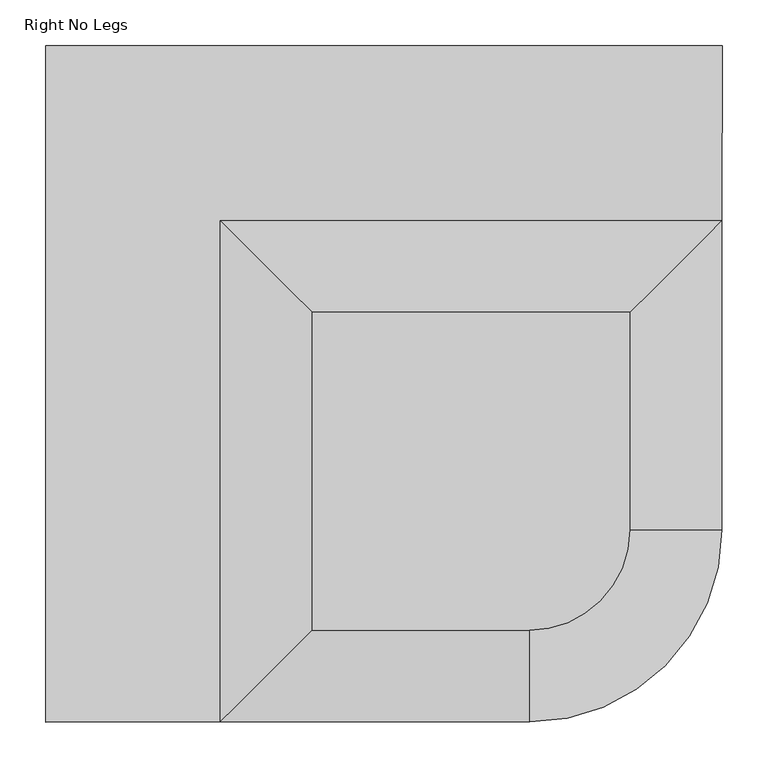
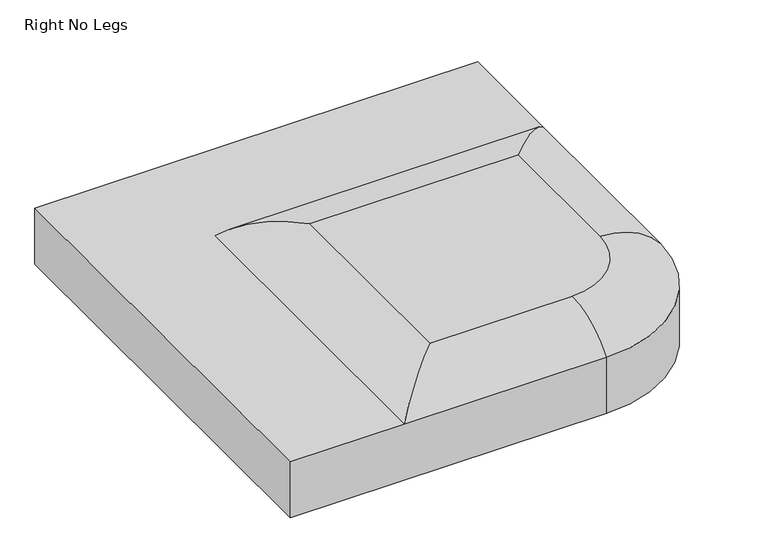
"""IFC4 building model written with IfcOpenShell, lengths in millimetres: furniture geometry, Right No Legs."""

from ifc_helpers import new_model, si_unit, point, frame, origin, place, context, project, spatial, polyline, circle_curve, ellipse_curve, trimmed, outline, extrude, source, transform, mapped, element, save
from ifc_brep_helpers import plane_surface, cylinder_surface, revolved_surface, advanced_brep


def right_no_legs_fca4a706(model_context):
    return source(origin(), model_context, "Body", "SolidModel", [
        advanced_brep(
        [(526.8740745, -736.3401743, 282.440064), (736.3206968, -526.901289, 282.440064), (736.3206968, -526.901289, 335.7265923), (736.3206968, -526.901289, 381.0), (526.8740745, -736.3401743, 381.0), (526.8740745, -736.3401743, 335.7265923), (721.8792832, -526.8936331, 282.440064), (526.8669522, -721.8987605, 282.440064), (526.8669522, -721.8987605, 335.7265923), (721.8792832, -526.8936331, 335.7265923), (736.6000242, 0.0, 282.440064), (736.6000242, 0.0, 335.7265923), (736.6000242, 0.0, 381.0), (736.4992956, -190.0064436, 381.0), (722.1509508, -14.4414156, 282.440064), (722.1509508, -14.4414156, 335.7265923), (0.0, 0.0, 282.440064), (0.0, 0.0, 335.7265923), (0.0, 0.0, 381.0), (14.4414156, -14.4414156, 282.440064), (14.4414156, -14.4414156, 335.7265923), (0.0, -736.6000242, 282.440064), (0.0, -736.6000242, 335.7265923), (0.0, -736.6000242, 381.0), (14.4414156, -722.1514845, 282.440064), (14.4414156, -722.1514845, 335.7265923), (189.5444624, -736.5065425, 381.0), (189.5444624, -190.0064436, 381.0), (289.3762689, -636.6254876, 427.8106965), (289.3762689, -289.8382502, 427.8106965), (636.614551, -289.8382502, 427.8106965), (636.4889043, -526.8483649, 427.8106965), (526.8248383, -636.5083799, 427.8106965)],
        [
            (0, 1, circle_curve(frame((526.7707262, -526.7901997, 282.440064), z_axis=(0.0, 0.0, 1.0), x_axis=(0.0004931917174324377, -0.9999998783809575, 0.0)), 209.55)),
            (1, 2),
            (2, 3),
            (3, 4, circle_curve(frame((526.7707262, -526.7901997, 381.0), z_axis=(0.0, 0.0, -1.0), x_axis=(0.0004931917174324377, -0.9999998783809575, 0.0)), 209.55)),
            (4, 5),
            (5, 0),
            (6, 7, circle_curve(frame((526.7707262, -526.7901997, 282.440064), z_axis=(0.0, 0.0, -1.0), x_axis=(0.0004931917174324377, -0.9999998783809575, 0.0)), 195.1085844)),
            (7, 8),
            (8, 9, circle_curve(frame((526.7707262, -526.7901997, 335.7265923), z_axis=(0.0, 0.0, 1.0), x_axis=(0.0004931917174324377, -0.9999998783809575, 0.0)), 195.1085844)),
            (9, 6),
            (1, 10),
            (10, 11),
            (11, 12),
            (12, 13),
            (13, 3),
            (14, 6),
            (9, 15),
            (15, 14),
            (10, 16),
            (16, 17),
            (17, 18),
            (18, 12),
            (19, 14),
            (15, 20),
            (20, 19),
            (16, 21),
            (21, 22),
            (22, 23),
            (23, 18),
            (24, 19),
            (20, 25),
            (25, 24),
            (21, 0),
            (4, 26),
            (26, 23),
            (26, 27),
            (27, 13),
            (7, 24),
            (25, 8),
            (26, 28, ellipse_curve(frame((289.3762689, -636.6254876, 297.9511579), z_axis=(-0.7072811292963492, 0.7069323900779204, 0.0), x_axis=(-0.7069323900779205, -0.7072811292963492, 0.0)), 183.6944246, 129.8595386)),
            (28, 29),
            (29, 27, ellipse_curve(frame((289.3762689, -289.8382502, 297.9511579), z_axis=(-0.7071067811865491, -0.7071067811865459, 0.0), x_axis=(0.7071067811865458, -0.7071067811865491, 0.0)), 183.6491207, 129.8595386)),
            (29, 30),
            (30, 13, ellipse_curve(frame((636.614551, -289.8382502, 297.9511579), z_axis=(-0.7069193262538219, 0.7072941864378942, 0.0), x_axis=(-0.707294186437894, -0.7069193262538219, 0.0)), 183.6978192, 129.8595386)),
            (30, 31),
            (31, 3, circle_curve(frame((636.4889043, -526.8483649, 297.9511579), z_axis=(0.0005301323376821898, 0.9999998594798424, 0.0), x_axis=(0.9999998594798424, -0.0005301323376821898, 0.0)), 129.8595386)),
            (31, 32, circle_curve(frame((526.7707262, -526.7901997, 427.8106965), z_axis=(0.0, 0.0, -1.0), x_axis=(0.9999998594798425, -0.0005301323376812425, 0.0)), 109.7181935)),
            (32, 4, circle_curve(frame((526.8248383, -636.5083799, 297.9511579), z_axis=(0.9999998783809576, 0.0004931917174273615, 0.0), x_axis=(0.0004931917174273611, -0.9999998783809578, 0.0)), 129.8595386)),
            (28, 32),
        ],
        [
            cylinder_surface(frame((526.7707262, -526.7901997, 381.0), z_axis=(0.0, 0.0, 1.0), x_axis=(0.0004931917174324377, -0.9999998783809575, 0.0)), 209.55),
            revolved_surface(polyline([(526.866952137826, -721.8987603710808, 335.7265923), (526.866952137826, -721.8987603710808, 282.440064)]), (526.7707262, -526.7901997, 381.0), (0.0, 0.0, 1.0)),
            plane_surface(frame((736.3206968, -526.901289, 282.440064), z_axis=(0.9999998594798425, -0.0005301323376817303, 0.0), x_axis=(0.0005301323376817303, 0.9999998594798425, 0.0))),
            plane_surface(frame((721.8792832, -526.8936331, 381.0), z_axis=(-0.9999998594798425, 0.0005301323376816939, 0.0), x_axis=(0.0005301323376816939, 0.9999998594798425, 0.0))),
            plane_surface(frame((736.6000242, 0.0, 282.440064), z_axis=(0.0, 1.0, 0.0), x_axis=(-1.0, 0.0, 0.0))),
            plane_surface(frame((722.1509508, -14.4414156, 381.0), z_axis=(0.0, -1.0, 0.0), x_axis=(-1.0, 0.0, 0.0))),
            plane_surface(frame((0.0, 0.0, 282.440064), z_axis=(-1.0, 0.0, 0.0), x_axis=(0.0, -1.0, 0.0))),
            plane_surface(frame((14.4414156, -14.4414156, 381.0), z_axis=(1.0, 0.0, 0.0), x_axis=(0.0, -1.0, 0.0))),
            plane_surface(frame((0.0, -736.6000242, 282.440064), z_axis=(0.000493191717439518, -0.9999998783809576, 0.0), x_axis=(0.9999998783809576, 0.000493191717439518, 0.0))),
            plane_surface(frame((0.0, -736.6000242, 381.0), z_axis=(0.0, 0.0, 1.0000000000000002), x_axis=(0.9999998783809576, 0.0004931917174395183, 0.0))),
            plane_surface(frame((14.4414156, -722.1514845, 381.0), z_axis=(-0.0004931917174394526, 0.9999998783809576, 0.0), x_axis=(0.9999998783809576, 0.0004931917174394526, 0.0))),
            plane_surface(frame((14.4414156, -722.1514845, 282.440064), z_axis=(0.0, 0.0, -1.0000000000000002), x_axis=(0.9999998783809576, 0.0004931917174394523, 0.0))),
            plane_surface(frame((0.0, 0.0, 335.7265923), z_axis=(0.0, 0.0, -1.0), x_axis=(0.0, 1.0, 0.0))),
            cylinder_surface(frame((289.3762689, -736.5065425, 297.9511579), z_axis=(0.0, -1.0, 0.0), x_axis=(-1.0, 0.0, 0.0)), 129.8595386),
            cylinder_surface(frame((189.5444624, -289.8382502, 297.9511579), z_axis=(-1.0, 0.0, 0.0), x_axis=(0.0, 1.0, 0.0)), 129.8595386),
            cylinder_surface(frame((636.6675032, -189.9535196, 297.9511579), z_axis=(0.0005301323376821898, 0.9999998594798424, 0.0), x_axis=(0.9999998594798424, -0.0005301323376821898, 0.0)), 129.8595386),
            revolved_surface(trimmed(ellipse_curve(frame((636.4889043, -526.8483649, 297.9511579), z_axis=(0.0005301323376814344, 0.9999998594798427, 0.0), x_axis=(0.9999998594798425, -0.0005301323376814342, 0.0)), 129.8595386, 129.8595386), [point((636.4889043, -526.8483649, 427.8106965))], [point((736.3206968, -526.901289, 381.0))], True, "CARTESIAN"), (526.7707262, -526.7901997, 381.0), (0.0, 0.0, -1.0000000000000002)),
            plane_surface(frame((526.8224533, -631.6724058, 427.8106965), z_axis=(0.0, 0.0, 1.0000000000000002), x_axis=(-0.9999998783809576, -0.0004931917174402172, 0.0))),
            cylinder_surface(frame((526.8248383, -636.5083799, 297.9511579), z_axis=(0.9999998783809575, 0.0004931917174394937, 0.0), x_axis=(0.0004931917174394937, -0.9999998783809575, 0.0)), 129.8595386),
        ],
        [
            (0, [[1, 2, 3, 4, 5, 6]]),
            (1, [[7, 8, 9, 10]]),
            (2, [[11, 12, 13, 14, 15, -3, -2]]),
            (3, [[16, -10, 17, 18]]),
            (4, [[19, 20, 21, 22, -13, -12]]),
            (5, [[23, -18, 24, 25]]),
            (6, [[26, 27, 28, 29, -21, -20]]),
            (7, [[30, -25, 31, 32]]),
            (8, [[33, -6, -5, 34, 35, -28, -27]]),
            (9, [[-22, -29, -35, 36, 37, -14]]),
            (10, [[38, -32, 39, -8]]),
            (11, [[-1, -33, -26, -19, -11], [-7, -16, -23, -30, -38]]),
            (12, [[-9, -39, -31, -24, -17]]),
            (13, [[40, 41, 42, -36]]),
            (14, [[-42, 43, 44, -37]]),
            (15, [[-44, 45, 46, -15]]),
            (16, [[-46, 47, 48, -4]]),
            (17, [[-41, 49, -47, -45, -43]]),
            (18, [[-40, -34, -48, -49]]),
        ],
    ),
        extrude(outline(polyline([(45.805766, -27.9229209), (243.9431223, -226.0602749), (225.9826089, -244.0207884), (27.8452548, -45.8834321), (45.805766, -27.9229209)])), frame((0.0, 0.0, 282.440064), z_axis=(0.0, 0.0, 1.0), x_axis=(1.0, 0.0, 0.0)), (0.0, 0.0, 1.0), 47.7899994),
        extrude(outline(polyline([(708.9096359, -45.9032165), (582.0497921, -172.7630194), (546.1287652, -172.7630194), (690.9491043, -27.942703), (708.9096359, -45.9032165)])), frame((0.0, 0.0, 282.440064), z_axis=(0.0, 0.0, 1.0), x_axis=(1.0, 0.0, 0.0)), (0.0, 0.0, 1.0), 47.7899994),
        extrude(outline(polyline([(609.6533394, -591.6151606), (648.3290314, -630.2908882), (630.3684998, -648.2513472), (591.6928263, -609.5756737), (609.6533394, -591.6151606)])), frame((0.0, 0.0, 282.440064), z_axis=(0.0, 0.0, 1.0), x_axis=(1.0, 0.0, 0.0)), (0.0, 0.0, 1.0), 47.7899994),
        extrude(outline(polyline([(172.7661079, -581.8452624), (45.9063049, -708.7050699), (27.9457938, -690.7445383), (172.7661079, -545.9242719), (172.7661079, -581.8452624)])), frame((0.0, 0.0, 282.440064), z_axis=(0.0, 0.0, 1.0), x_axis=(1.0, 0.0, 0.0)), (0.0, 0.0, 1.0), 47.7899994),
        extrude(outline(polyline([(490.6595129, -674.6879602), (674.6879602, -490.6595129), (674.6879602, -80.2517512), (700.087936, -54.8517482), (700.087936, -501.180564), (501.180564, -700.087936), (54.5234385, -700.087936), (79.9234134, -674.6879602), (490.6595129, -674.6879602)])), frame((0.0, 0.0, 282.440064), z_axis=(0.0, 0.0, 1.0), x_axis=(1.0, 0.0, 0.0)), (0.0, 0.0, 1.0), 47.7899994),
        extrude(outline(polyline([(199.0479884, -674.6879602), (173.6479945, -674.6879602), (173.6479945, -296.3554028), (296.3554028, -173.6479945), (674.6879602, -173.6479945), (674.6879602, -199.0479884), (306.8764358, -199.0479884), (199.0479884, -306.8764358), (199.0479884, -674.6879602)])), frame((0.0, 0.0, 282.440064), z_axis=(0.0, 0.0, 1.0), x_axis=(1.0, 0.0, 0.0)), (0.0, 0.0, 1.0), 47.7899994),
    ])


if __name__ == "__main__":
    model = new_model("IFC4")
    model_context = context("Model", 3, world=origin())
    ifc_project = project(units=[si_unit("LENGTHUNIT", "METRE", prefix="MILLI")], contexts=[model_context])
    site = spatial("IfcSite", under=ifc_project)
    building = spatial("IfcBuilding", under=site)
    placement = place(None, origin())
    right_no_legs_shape = right_no_legs_fca4a706(model_context)
    element("IfcFurniture", 1, ObjectType="Right No Legs", at=placement, inside=building, context=model_context, shape_type="MappedRepresentation", body=[
        mapped(right_no_legs_shape, transform((0.0, 0.0, 0.0), x_axis=(1.0, 0.0, 0.0), y_axis=(0.0, 1.0, 0.0), z_axis=(0.0, 0.0, 1.0))),
    ])
    save(model, "model.ifc")
